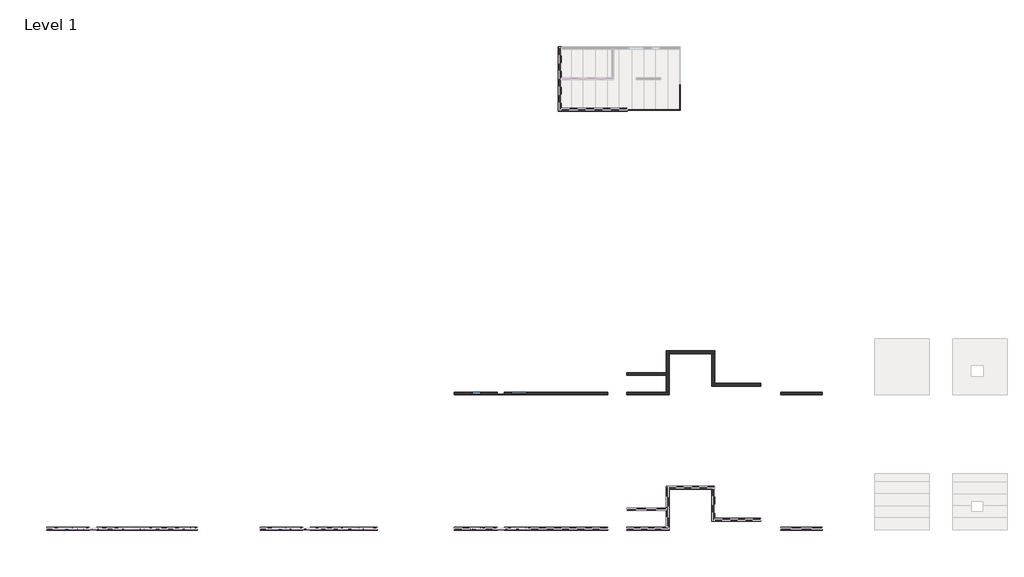
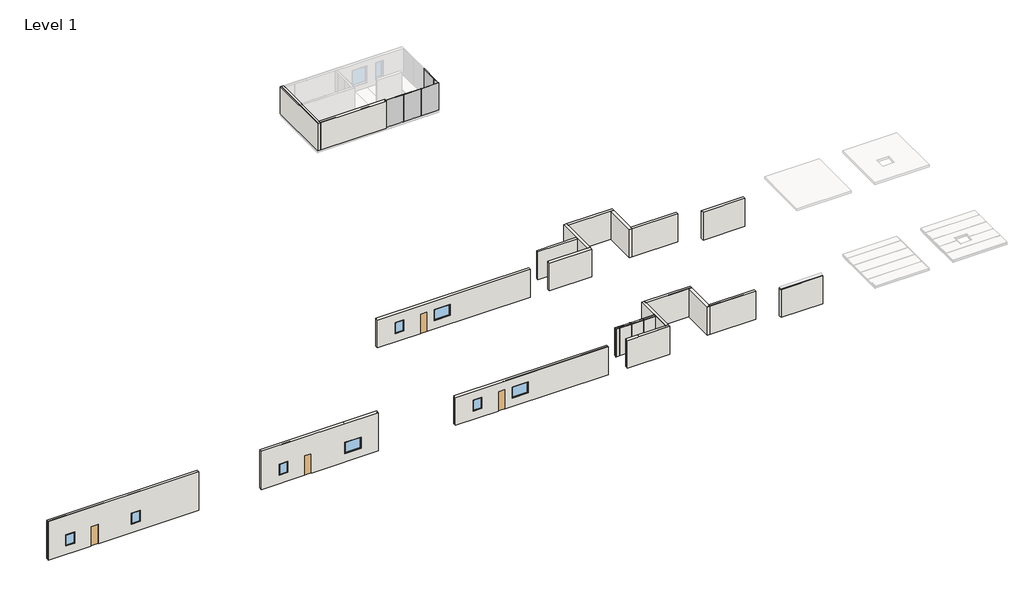
# One storey, part 1 of 10: 20 walls, 8 windows, 5 plates, 4 doors.
"""IFC4 building model written with IfcOpenShell, lengths in millimetres."""

import ifcopenshell
import ifcopenshell.guid

model = None  # the IFC model being written
_history = None  # IfcOwnerHistory: only IFC2X3 demands one
_inside = {}  # id of a spatial element -> (the spatial element, [elements in it])
_under = {}  # id of a project, library or spatial element -> (it, [spatial elements below it])
_declared = {}  # id of a project -> (the project, [libraries it declares])
_typed = {}  # id of a type object -> (the type object, [elements of that type])
_made_of = {}  # id of a material, layer set ... -> (it, [elements and type objects made of it])


def new_model(schema):
    """Start an empty IFC model of exactly this schema.

    Asked for "IFC4X3", IfcOpenShell would pick the latest addendum, in which some entities
    have other attributes; the version numbers below select the first issue.
    IFC2X3 requires an IfcOwnerHistory on every rooted entity: one is made here for all.
    """
    global model, _history
    if schema == "IFC4X3":
        model = ifcopenshell.file(schema_version=(4, 3, 0, 0))
    else:
        model = ifcopenshell.file(schema=schema)
    _inside.clear()
    _under.clear()
    _declared.clear()
    _typed.clear()
    _made_of.clear()
    _history = None
    if model.schema == "IFC2X3":
        org = make("IfcOrganization", Name="unknown")
        user = make(
            "IfcPersonAndOrganization",
            ThePerson=make("IfcPerson", FamilyName="unknown"),
            TheOrganization=org,
        )
        app = make(
            "IfcApplication",
            ApplicationDeveloper=org,
            Version="unknown",
            ApplicationFullName="unknown",
            ApplicationIdentifier="unknown",
        )
        _history = make(
            "IfcOwnerHistory",
            OwningUser=user,
            OwningApplication=app,
            ChangeAction="ADDED",
            CreationDate=0,
        )
    return model


def make(cls, **values):
    """One entity of the class cls with the attributes given. An attribute that is None is left unset."""
    return model.create_entity(
        cls, **{name: value for name, value in values.items() if value is not None}
    )


def rooted(cls, **values):
    """An entity with a GlobalId (a new one), such as an element, a storey or a relation."""
    return make(cls, GlobalId=ifcopenshell.guid.new(), OwnerHistory=_history, **values)


def si_unit(unit_type, name, prefix=None):
    """IfcSIUnit, for example si_unit("LENGTHUNIT", "METRE", prefix="MILLI")."""
    return make("IfcSIUnit", UnitType=unit_type, Prefix=prefix, Name=name)


def assignment(units):
    """IfcUnitAssignment: the units of a project."""
    return None if units is None else make("IfcUnitAssignment", Units=units)


def point(xyz):
    """IfcCartesianPoint."""
    return None if xyz is None else make("IfcCartesianPoint", Coordinates=xyz)


def direction(xyz):
    """IfcDirection."""
    return None if xyz is None else make("IfcDirection", DirectionRatios=xyz)


def frame(location, z_axis=None, x_axis=None):
    """IfcAxis2Placement3D, a coordinate frame: its origin and axes. An axis left out is left unset."""
    return make(
        "IfcAxis2Placement3D",
        Location=point(location),
        Axis=direction(z_axis),
        RefDirection=direction(x_axis),
    )


def origin():
    """The frame at (0, 0, 0) with its axes left unset."""
    return frame((0.0, 0.0, 0.0))


def origin_with_axes():
    """The frame at (0, 0, 0) with the z axis (0, 0, 1) and the x axis (1, 0, 0) written out."""
    return frame((0.0, 0.0, 0.0), z_axis=(0.0, 0.0, 1.0), x_axis=(1.0, 0.0, 0.0))


def place(relative_to, where):
    """IfcLocalPlacement: puts the frame where relative to a parent placement (None: the world)."""
    return make(
        "IfcLocalPlacement", PlacementRelTo=relative_to, RelativePlacement=where
    )


def context(
    kind, dimensions, precision=None, world=None, true_north=None, identifier=None
):
    """IfcGeometricRepresentationContext, for example the 3D "Model" context."""
    return make(
        "IfcGeometricRepresentationContext",
        ContextIdentifier=identifier,
        ContextType=kind,
        CoordinateSpaceDimension=dimensions,
        Precision=precision,
        WorldCoordinateSystem=world,
        TrueNorth=true_north,
    )


def project(units=None, contexts=None):
    """IfcProject with its units and contexts."""
    return rooted(
        "IfcProject",
        Name="project",
        RepresentationContexts=contexts,
        UnitsInContext=assignment(units),
    )


def spatial(cls, under=None, at=None, **own):
    """A site, building, storey or space (cls), placed at a placement, below another one or the project."""
    s = rooted(cls, ObjectPlacement=at, **own)
    if under is not None:
        _under.setdefault(under.id(), (under, []))[1].append(s)
    return s


def polyline(points):
    """IfcPolyline through the points."""
    return make("IfcPolyline", Points=[point(p) for p in points])


def outline(outer, holes=None, kind="AREA"):
    """IfcArbitraryClosedProfileDef: a profile drawn as a closed curve; with holes, ...WithVoids."""
    if holes is None:
        return make("IfcArbitraryClosedProfileDef", ProfileType=kind, OuterCurve=outer)
    return make(
        "IfcArbitraryProfileDefWithVoids",
        ProfileType=kind,
        OuterCurve=outer,
        InnerCurves=holes,
    )


def extrude(swept, where, along, depth):
    """IfcExtrudedAreaSolid: the profile swept, set in the frame where, extruded along a direction by depth."""
    return make(
        "IfcExtrudedAreaSolid",
        SweptArea=swept,
        Position=where,
        ExtrudedDirection=direction(along),
        Depth=depth,
    )


def faces_of(points, faces, orient=None, outer=None):
    """IfcFace entities. A face is a list of loops; a loop is a list of indices into points, from 0.

    orient and outer hold one flag for each loop. By default every Orientation is true, the
    first loop of a face is its IfcFaceOuterBound and the others are IfcFaceBound.
    """
    made = []
    for i, loops in enumerate(faces):
        bounds = []
        for j, loop in enumerate(loops):
            is_outer = j == 0 if outer is None else outer[i][j]
            bounds.append(
                make(
                    "IfcFaceOuterBound" if is_outer else "IfcFaceBound",
                    Bound=make("IfcPolyLoop", Polygon=[points[k] for k in loop]),
                    Orientation=True if orient is None else orient[i][j],
                )
            )
        made.append(make("IfcFace", Bounds=bounds))
    return made


def faceted_brep(points, faces, orient=None, outer=None, voids=None):
    """IfcFacetedBrep: a solid bounded by flat faces; with voids (closed shells), ...WithVoids."""
    shared = [point(p) for p in points]
    hull = make("IfcClosedShell", CfsFaces=faces_of(shared, faces, orient, outer))
    if voids is None:
        return make("IfcFacetedBrep", Outer=hull)
    return make(
        "IfcFacetedBrepWithVoids",
        Outer=hull,
        Voids=[
            make(cls, CfsFaces=faces_of(shared, fs, o, b)) for cls, fs, o, b in voids
        ],
    )


def shape(context_of_items, identifier, shape_type, items):
    """IfcShapeRepresentation: the items that make up one representation, for example the "Body"."""
    return make(
        "IfcShapeRepresentation",
        ContextOfItems=context_of_items,
        RepresentationIdentifier=identifier,
        RepresentationType=shape_type,
        Items=items,
    )


def source(mapping_origin, context_of_items, identifier, shape_type, items):
    """IfcRepresentationMap: a shape defined once, which mapped items show again and again."""
    return make(
        "IfcRepresentationMap",
        MappingOrigin=mapping_origin,
        MappedRepresentation=shape(context_of_items, identifier, shape_type, items),
    )


def transform(
    local_origin,
    x_axis=None,
    y_axis=None,
    z_axis=None,
    scale=None,
    scale2=None,
    scale3=None,
    uniform=True,
):
    """IfcCartesianTransformationOperator3D, or its non-uniform kind. x_axis, y_axis, z_axis: its Axis1, 2, 3."""
    if uniform:
        return make(
            "IfcCartesianTransformationOperator3D",
            Axis1=direction(x_axis),
            Axis2=direction(y_axis),
            LocalOrigin=point(local_origin),
            Scale=scale,
            Axis3=direction(z_axis),
        )
    return make(
        "IfcCartesianTransformationOperator3DnonUniform",
        Axis1=direction(x_axis),
        Axis2=direction(y_axis),
        LocalOrigin=point(local_origin),
        Scale=scale,
        Axis3=direction(z_axis),
        Scale2=scale2,
        Scale3=scale3,
    )


def mapped(mapping_source, mapping_target):
    """IfcMappedItem: shows the shape of a source again, moved by a transform."""
    return make(
        "IfcMappedItem", MappingSource=mapping_source, MappingTarget=mapping_target
    )


def made_of(thing, what):
    """Note that an element or type object is made of a material, layer set ...; save() writes the relation."""
    if what is not None:
        _made_of.setdefault(what.id(), (what, []))[1].append(thing)
    return thing


def element(
    cls,
    number,
    at=None,
    inside=None,
    cuts=None,
    type_object=None,
    material=None,
    context=None,
    identifier="Body",
    shape_type=None,
    held_by="IfcProductDefinitionShape",
    body=None,
    shapes=None,
    **own,
):
    """One element of the class cls, such as IfcWall. Its Tag is "e" and its number.

    at: its placement. inside: the storey or other place that contains it. cuts: it is an
    opening in that element (IfcRelVoidsElement). A single representation is given by context,
    identifier, shape_type and body (its items); several are given by shapes. held_by: the class
    of the entity that holds the representations. save() writes the other relations.
    """
    e = rooted(cls, Tag="e%d" % number, ObjectPlacement=at, **own)
    if body is not None:
        shapes = [shape(context, identifier, shape_type, body)]
    if shapes is not None:
        e.Representation = make(held_by, Representations=shapes)
    if inside is not None:
        _inside.setdefault(inside.id(), (inside, []))[1].append(e)
    if cuts is not None:
        rooted(
            "IfcRelVoidsElement", RelatingBuildingElement=cuts, RelatedOpeningElement=e
        )
    if type_object is not None:
        _typed.setdefault(type_object.id(), (type_object, []))[1].append(e)
    return made_of(e, material)


def aggregate(whole, parts):
    """IfcRelAggregates: a whole, such as a stair, and the parts it consists of."""
    return rooted("IfcRelAggregates", RelatingObject=whole, RelatedObjects=parts)


def save(model, path):
    """Write the relations noted so far, then the file.

    IfcRelAggregates (storeys below a building ...), IfcRelContainedInSpatialStructure (elements
    in a storey), IfcRelDefinesByType, IfcRelAssociatesMaterial and IfcRelDeclares: one each for
    every whole, place, type object, material and project.
    """
    for whole, parts in _under.values():
        aggregate(whole, parts)
    for where, things in _inside.values():
        rooted(
            "IfcRelContainedInSpatialStructure",
            RelatedElements=things,
            RelatingStructure=where,
        )
    for kind, things in _typed.values():
        rooted("IfcRelDefinesByType", RelatedObjects=things, RelatingType=kind)
    for what, things in _made_of.values():
        rooted("IfcRelAssociatesMaterial", RelatedObjects=things, RelatingMaterial=what)
    for by, libraries in _declared.values():
        rooted("IfcRelDeclares", RelatingContext=by, RelatedDefinitions=libraries)
    model.write(path)


def system_panel_glazed_b8690d59(model_context):
    return source(origin(), model_context, "Body", "SweptSolid", [
        extrude(outline(polyline([(915.0000002, -49.5), (-915.0000002, -49.5), (-915.0000002, -24.5), (915.0000002, -24.5), (915.0000002, -49.5)])), origin_with_axes(), (0.0, 0.0, 1.0), 2976.0),
    ])


def system_panel_glazed_bf0abaaa(model_context):
    return source(origin(), model_context, "Body", "SweptSolid", [
        extrude(outline(polyline([(915.0000002, 24.5), (-915.0000002, 24.5), (-915.0000002, 49.5), (915.0000002, 49.5), (915.0000002, 24.5)])), origin_with_axes(), (0.0, 0.0, 1.0), 2976.0),
    ])


def system_panel_glazed_7dc63817(model_context):
    return source(origin(), model_context, "Body", "SweptSolid", [
        extrude(outline(polyline([(368.9999998, 24.5), (-368.9999998, 24.5), (-368.9999998, 49.5), (368.9999998, 49.5), (368.9999998, 24.5)])), origin_with_axes(), (0.0, 0.0, 1.0), 2976.0),
    ])


def system_panel_glazed_9115b0b5(model_context):
    return source(origin(), model_context, "Body", "SweptSolid", [
        extrude(outline(polyline([(904.4999998, -49.5), (-904.4999998, -49.5), (-904.4999998, -24.5), (904.4999998, -24.5), (904.4999998, -49.5)])), origin_with_axes(), (0.0, 0.0, 1.0), 2976.0),
    ])


model = new_model("IFC4")

# Units and contexts
model_context = context("Model", 3, world=origin())
ifc_project = project(units=[si_unit("LENGTHUNIT", "METRE", prefix="MILLI")], contexts=[model_context])

# Site, building, storey
site = spatial("IfcSite", under=ifc_project)
building = spatial("IfcBuilding", under=site)
storey = spatial("IfcBuildingStorey", under=building, Name="Level 1", Elevation=-200.0)

# Doors
placement = place(None, origin())
element("IfcDoor", 1, ObjectType="Single-Flush1 : 30\" x 84\" 2", at=placement, inside=storey, context=model_context, shape_type="SweptSolid", body=[
    extrude(outline(polyline([(-58041.1325582, -190094.9735442), (-57279.1325582, -190094.9735442), (-57279.1325582, -190145.7735442), (-58041.1325582, -190145.7735442), (-58041.1325582, -190094.9735442)])), frame((0.0, 0.0, -200.0), z_axis=(0.0, 0.0, 1.0), x_axis=(1.0, 0.0, 0.0)), (0.0, 0.0, 1.0), 2133.6),
])
element("IfcDoor", 2, ObjectType="Single-Flush1 : 30\" x 84\" 2", at=placement, inside=storey, context=model_context, shape_type="SweptSolid", body=[
    extrude(outline(polyline([(-78141.1325582, -190094.9735442), (-77379.1325582, -190094.9735442), (-77379.1325582, -190145.7735442), (-78141.1325582, -190145.7735442), (-78141.1325582, -190094.9735442)])), frame((0.0, 0.0, -200.0), z_axis=(0.0, 0.0, 1.0), x_axis=(1.0, 0.0, 0.0)), (0.0, 0.0, 1.0), 2133.6),
])
element("IfcDoor", 3, ObjectType="Single-Flush1 : 30\" x 84\" 2", at=placement, inside=storey, context=model_context, shape_type="SweptSolid", body=[
    extrude(outline(polyline([(-100241.1325582, -190094.9735442), (-99479.1325582, -190094.9735442), (-99479.1325582, -190145.7735442), (-100241.1325582, -190145.7735442), (-100241.1325582, -190094.9735442)])), frame((0.0, 0.0, -200.0), z_axis=(0.0, 0.0, 1.0), x_axis=(1.0, 0.0, 0.0)), (0.0, 0.0, 1.0), 2133.6),
])
element("IfcDoor", 4, ObjectType="Single-Flush1 : 30\" x 84\" 2", at=placement, inside=storey, context=model_context, shape_type="SweptSolid", body=[
    extrude(outline(polyline([(-58041.1325582, -176094.9735442), (-57279.1325582, -176094.9735442), (-57279.1325582, -176145.7735442), (-58041.1325582, -176145.7735442), (-58041.1325582, -176094.9735442)])), frame((0.0, 0.0, -200.0), z_axis=(0.0, 0.0, 1.0), x_axis=(1.0, 0.0, 0.0)), (0.0, 0.0, 1.0), 2133.6),
])

# Plates
system_panel_glazed_shape = system_panel_glazed_b8690d59(model_context)
element("IfcPlate", 5, ObjectType="System Panel : Glazed", at=placement, inside=storey, context=model_context, shape_type="MappedRepresentation", body=[
    mapped(system_panel_glazed_shape, transform((-43656.4286234, -146665.1761039, -200.0), x_axis=(1.0, 0.0, 0.0), y_axis=(0.0, 1.0, 0.0), z_axis=(0.0, 0.0, 1.0))),
])
element("IfcPlate", 6, ObjectType="System Panel : Glazed", at=placement, inside=storey, context=model_context, shape_type="MappedRepresentation", body=[
    mapped(system_panel_glazed_shape, transform((-41826.4286232, -146665.1761039, -200.0), x_axis=(1.0, 0.0, 0.0), y_axis=(0.0, 1.0, 0.0), z_axis=(0.0, 0.0, 1.0))),
])
system_panel_glazed_2_shape = system_panel_glazed_bf0abaaa(model_context)
element("IfcPlate", 7, ObjectType="System Panel : Glazed", at=placement, inside=storey, context=model_context, shape_type="MappedRepresentation", body=[
    mapped(system_panel_glazed_2_shape, transform((-39151.9286235, -145012.1761042, -200.0), x_axis=(0.0, -1.0, 0.0), y_axis=(1.0, 0.0, 0.0), z_axis=(0.0, 0.0, 1.0))),
])
system_panel_glazed_3_shape = system_panel_glazed_7dc63817(model_context)
element("IfcPlate", 8, ObjectType="System Panel : Glazed", at=placement, inside=storey, context=model_context, shape_type="MappedRepresentation", body=[
    mapped(system_panel_glazed_3_shape, transform((-39151.9286235, -146296.176104, -200.0), x_axis=(0.0, -1.0, 0.0), y_axis=(1.0, 0.0, 0.0), z_axis=(0.0, 0.0, 1.0))),
])
system_panel_glazed_4_shape = system_panel_glazed_9115b0b5(model_context)
element("IfcPlate", 9, ObjectType="System Panel : Glazed", at=placement, inside=storey, context=model_context, shape_type="MappedRepresentation", body=[
    mapped(system_panel_glazed_4_shape, transform((-40006.9286234, -146665.1761039, -200.0), x_axis=(1.0, 0.0, 0.0), y_axis=(0.0, 1.0, 0.0), z_axis=(0.0, 0.0, 1.0))),
])

# Walls
element("IfcWall", 10, ObjectType="Ex_SIP", at=placement, inside=storey, context=model_context, shape_type="SweptSolid", body=[
    extrude(outline(polyline([(-44571.4286235, -146817.1761039), (-51389.9286235, -146817.1761039), (-51389.9286235, -146513.1761039), (-44571.4286235, -146513.1761039), (-44571.4286235, -146817.1761039)])), frame((0.0, 0.0, -200.0), z_axis=(0.0, 0.0, 1.0), x_axis=(1.0, 0.0, 0.0)), (0.0, 0.0, 1.0), 2976.0),
])
element("IfcWall", 11, ObjectType="Ex_SIP", at=placement, inside=storey, context=model_context, shape_type="Brep", body=[
    faceted_brep([(-51693.9286235, -140133.1761039, -200.0), (-51693.9286235, -146817.1761039, -200.0), (-51693.9286235, -146817.1761039, 2776.0), (-51693.9286235, -140133.1761039, 2776.0), (-51389.9286235, -140133.1761039, -200.0), (-51389.9286235, -140133.1761039, 2776.0), (-51389.9286235, -140437.1761039, 2776.0), (-51389.9286235, -146513.1761039, 2776.0), (-51389.9286235, -146817.1761039, 2776.0), (-51389.9286235, -146817.1761039, -200.0), (-51389.9286235, -146513.1761039, -200.0), (-51389.9286235, -140437.1761039, -200.0)], [[[0, 1, 2, 3]], [[4, 5, 6, 7, 8, 9, 10, 11]], [[1, 0, 4, 11, 10, 9]], [[3, 2, 8, 7, 6, 5]], [[2, 1, 9, 8]], [[0, 3, 5, 4]]]),
])
element("IfcWall", 12, ObjectType="Ex_SIP", at=placement, inside=storey, context=model_context, shape_type="SweptSolid", body=[
    extrude(outline(polyline([(-200.0, -62460.7325582), (-200.0, -58041.1325582), (1933.6, -58041.1325582), (1933.6, -57279.1325582), (-200.0, -57279.1325582), (-200.0, -46611.1325582), (2848.0, -46611.1325582), (2848.0, -62460.7325582), (-200.0, -62460.7325582)]), holes=[polyline([(1933.6, -59717.5325582), (714.4, -59717.5325582), (714.4, -60631.9325582), (1933.6, -60631.9325582), (1933.6, -59717.5325582)]), polyline([(1933.6, -54916.9325582), (714.4, -54916.9325582), (714.4, -56593.3325582), (1933.6, -56593.3325582), (1933.6, -54916.9325582)])]), frame((0.0, -190185.6581485, 0.0), z_axis=(0.0, 1.0, 0.0), x_axis=(0.0, 0.0, 1.0)), (0.0, 0.0, 1.0), 304.0),
])
element("IfcWall", 13, ObjectType="Ex_SIP", at=placement, inside=storey, context=model_context, shape_type="Brep", body=[
    faceted_brep([(-44648.9825582, -190185.6581485, -200.0), (-40229.7825582, -190185.6581485, -200.0), (-40229.7825582, -190185.6581485, 2848.0), (-44648.9825582, -190185.6581485, 2848.0), (-44648.9825582, -189881.6581485, -200.0), (-44648.9825582, -189881.6581485, 2848.0), (-40533.7825582, -189881.6581485, 2848.0), (-40229.7825582, -189881.6581485, 2848.0), (-40229.7825582, -189881.6581485, -200.0), (-40533.7825582, -189881.6581485, -200.0)], [[[0, 1, 2, 3]], [[4, 5, 6, 7, 8, 9]], [[1, 0, 4, 9, 8]], [[3, 2, 7, 6, 5]], [[0, 3, 5, 4]], [[2, 1, 8, 7]]]),
])
element("IfcWall", 14, ObjectType="Ex_SIP", at=placement, inside=storey, context=model_context, shape_type="Brep", body=[
    faceted_brep([(-40229.7825582, -189881.6581485, -200.0), (-40229.7825582, -185918.4581485, -200.0), (-40229.7825582, -185614.4581485, -200.0), (-40229.7825582, -185614.4581485, 2848.0), (-40229.7825582, -185918.4581485, 2848.0), (-40229.7825582, -189881.6581485, 2848.0), (-40533.7825582, -189881.6581485, -200.0), (-40533.7825582, -189881.6581485, 2848.0), (-40533.7825582, -185614.4581485, 2848.0), (-40533.7825582, -185614.4581485, -200.0)], [[[0, 1, 2, 3, 4, 5]], [[6, 7, 8, 9]], [[2, 1, 0, 6, 9]], [[5, 4, 3, 8, 7]], [[0, 5, 7, 6]], [[3, 2, 9, 8]]]),
])
element("IfcWall", 15, ObjectType="Ex_SIP", at=placement, inside=storey, context=model_context, shape_type="Brep", body=[
    faceted_brep([(-40229.7825582, -185918.4581485, -200.0), (-35809.3825582, -185918.4581485, -200.0), (-35505.3825582, -185918.4581485, -200.0), (-35505.3825582, -185918.4581485, 2848.0), (-35809.3825582, -185918.4581485, 2848.0), (-40229.7825582, -185918.4581485, 2848.0), (-40229.7825582, -185614.4581485, -200.0), (-40229.7825582, -185614.4581485, 2848.0), (-35505.3825582, -185614.4581485, 2848.0), (-35505.3825582, -185614.4581485, -200.0)], [[[0, 1, 2, 3, 4, 5]], [[6, 7, 8, 9]], [[2, 1, 0, 6, 9]], [[5, 4, 3, 8, 7]], [[0, 5, 7, 6]], [[3, 2, 9, 8]]]),
])
element("IfcWall", 16, ObjectType="Ex_SIP", at=placement, inside=storey, context=model_context, shape_type="Brep", body=[
    faceted_brep([(-35809.3825582, -185918.4581485, -200.0), (-35809.3825582, -189271.2581485, -200.0), (-35809.3825582, -189271.2581485, 2848.0), (-35809.3825582, -185918.4581485, 2848.0), (-35505.3825582, -185918.4581485, -200.0), (-35505.3825582, -185918.4581485, 2848.0), (-35505.3825582, -188967.2581485, 2848.0), (-35505.3825582, -189271.2581485, 2848.0), (-35505.3825582, -189271.2581485, -200.0), (-35505.3825582, -188967.2581485, -200.0)], [[[0, 1, 2, 3]], [[4, 5, 6, 7, 8, 9]], [[1, 0, 4, 9, 8]], [[3, 2, 7, 6, 5]], [[0, 3, 5, 4]], [[2, 1, 8, 7]]]),
])
element("IfcWall", 17, ObjectType="Ex_SIP", at=placement, inside=storey, context=model_context, shape_type="SweptSolid", body=[
    extrude(outline(polyline([(-30780.5825582, -189271.2581485), (-35505.3825582, -189271.2581485), (-35505.3825582, -188967.2581485), (-30780.5825582, -188967.2581485), (-30780.5825582, -189271.2581485)])), frame((0.0, 0.0, -200.0), z_axis=(0.0, 0.0, 1.0), x_axis=(1.0, 0.0, 0.0)), (0.0, 0.0, 1.0), 3048.0),
])
element("IfcWall", 18, ObjectType="Ex_SIP", at=placement, inside=storey, context=model_context, shape_type="SweptSolid", body=[
    extrude(outline(polyline([(-200.0, -62460.7325582), (-200.0, -58041.1325582), (1933.6, -58041.1325582), (1933.6, -57279.1325582), (-200.0, -57279.1325582), (-200.0, -46611.1325582), (2848.0, -46611.1325582), (2848.0, -62460.7325582), (-200.0, -62460.7325582)]), holes=[polyline([(1933.6, -59717.5325582), (714.4, -59717.5325582), (714.4, -60631.9325582), (1933.6, -60631.9325582), (1933.6, -59717.5325582)]), polyline([(1933.6, -54916.9325582), (714.4, -54916.9325582), (714.4, -56593.3325582), (1933.6, -56593.3325582), (1933.6, -54916.9325582)])]), frame((0.0, -176185.6581485, 0.0), z_axis=(0.0, 1.0, 0.0), x_axis=(0.0, 0.0, 1.0)), (0.0, 0.0, 1.0), 304.0),
])
element("IfcWall", 19, ObjectType="Ex_SIP", at=placement, inside=storey, context=model_context, shape_type="Brep", body=[
    faceted_brep([(-44648.9825582, -176185.6581485, -200.0), (-40229.7825582, -176185.6581485, -200.0), (-40229.7825582, -176185.6581485, 2848.0), (-44648.9825582, -176185.6581485, 2848.0), (-44648.9825582, -175881.6581485, -200.0), (-44648.9825582, -175881.6581485, 2848.0), (-40533.7825582, -175881.6581485, 2848.0), (-40229.7825582, -175881.6581485, 2848.0), (-40229.7825582, -175881.6581485, -200.0), (-40533.7825582, -175881.6581485, -200.0)], [[[0, 1, 2, 3]], [[4, 5, 6, 7, 8, 9]], [[1, 0, 4, 9, 8]], [[3, 2, 7, 6, 5]], [[0, 3, 5, 4]], [[2, 1, 8, 7]]]),
])
element("IfcWall", 20, ObjectType="Ex_SIP", at=placement, inside=storey, context=model_context, shape_type="Brep", body=[
    faceted_brep([(-40229.7825582, -175881.6581485, -200.0), (-40229.7825582, -171918.4581485, -200.0), (-40229.7825582, -171614.4581485, -200.0), (-40229.7825582, -171614.4581485, 2848.0), (-40229.7825582, -171918.4581485, 2848.0), (-40229.7825582, -175881.6581485, 2848.0), (-40533.7825582, -175881.6581485, -200.0), (-40533.7825582, -175881.6581485, 2848.0), (-40533.7825582, -171614.4581485, 2848.0), (-40533.7825582, -171614.4581485, -200.0)], [[[0, 1, 2, 3, 4, 5]], [[6, 7, 8, 9]], [[2, 1, 0, 6, 9]], [[5, 4, 3, 8, 7]], [[0, 5, 7, 6]], [[3, 2, 9, 8]]]),
])
element("IfcWall", 21, ObjectType="Ex_SIP", at=placement, inside=storey, context=model_context, shape_type="Brep", body=[
    faceted_brep([(-40229.7825582, -171918.4581485, -200.0), (-35809.3825582, -171918.4581485, -200.0), (-35505.3825582, -171918.4581485, -200.0), (-35505.3825582, -171918.4581485, 2848.0), (-35809.3825582, -171918.4581485, 2848.0), (-40229.7825582, -171918.4581485, 2848.0), (-40229.7825582, -171614.4581485, -200.0), (-40229.7825582, -171614.4581485, 2848.0), (-35505.3825582, -171614.4581485, 2848.0), (-35505.3825582, -171614.4581485, -200.0)], [[[0, 1, 2, 3, 4, 5]], [[6, 7, 8, 9]], [[2, 1, 0, 6, 9]], [[5, 4, 3, 8, 7]], [[0, 5, 7, 6]], [[3, 2, 9, 8]]]),
])
element("IfcWall", 22, ObjectType="Ex_SIP", at=placement, inside=storey, context=model_context, shape_type="Brep", body=[
    faceted_brep([(-35809.3825582, -171918.4581485, -200.0), (-35809.3825582, -175271.2581485, -200.0), (-35809.3825582, -175271.2581485, 2848.0), (-35809.3825582, -171918.4581485, 2848.0), (-35505.3825582, -171918.4581485, -200.0), (-35505.3825582, -171918.4581485, 2848.0), (-35505.3825582, -174967.2581485, 2848.0), (-35505.3825582, -175271.2581485, 2848.0), (-35505.3825582, -175271.2581485, -200.0), (-35505.3825582, -174967.2581485, -200.0)], [[[0, 1, 2, 3]], [[4, 5, 6, 7, 8, 9]], [[1, 0, 4, 9, 8]], [[3, 2, 7, 6, 5]], [[0, 3, 5, 4]], [[2, 1, 8, 7]]]),
])
element("IfcWall", 23, ObjectType="Ex_SIP", at=placement, inside=storey, context=model_context, shape_type="SweptSolid", body=[
    extrude(outline(polyline([(-30780.5825582, -175271.2581485), (-35505.3825582, -175271.2581485), (-35505.3825582, -174967.2581485), (-30780.5825582, -174967.2581485), (-30780.5825582, -175271.2581485)])), frame((0.0, 0.0, -200.0), z_axis=(0.0, 0.0, 1.0), x_axis=(1.0, 0.0, 0.0)), (0.0, 0.0, 1.0), 3048.0),
])
element("IfcWall", 24, ObjectType="Ex_SIP 2", at=placement, inside=storey, context=model_context, shape_type="SweptSolid", body=[
    extrude(outline(polyline([(-24388.7151434, -190185.6581485), (-28706.7151434, -190185.6581485), (-28706.7151434, -189881.6581485), (-24388.7151434, -189881.6581485), (-24388.7151434, -190185.6581485)])), frame((0.0, 0.0, -200.0), z_axis=(0.0, 0.0, 1.0), x_axis=(1.0, 0.0, 0.0)), (0.0, 0.0, 1.0), 3048.0),
])
element("IfcWall", 25, ObjectType="Ex_SIP 2", at=placement, inside=storey, context=model_context, shape_type="SweptSolid", body=[
    extrude(outline(polyline([(-24388.7151434, -176185.6581485), (-28706.7151434, -176185.6581485), (-28706.7151434, -175881.6581485), (-24388.7151434, -175881.6581485), (-24388.7151434, -176185.6581485)])), frame((0.0, 0.0, -200.0), z_axis=(0.0, 0.0, 1.0), x_axis=(1.0, 0.0, 0.0)), (0.0, 0.0, 1.0), 3048.0),
])
element("IfcWall", 26, ObjectType="Ex_SIP BR", at=placement, inside=storey, context=model_context, shape_type="SweptSolid", body=[
    extrude(outline(polyline([(-200.0, -82560.7325582), (-200.0, -78141.1325582), (1933.6, -78141.1325582), (1933.6, -77379.1325582), (-200.0, -77379.1325582), (-200.0, -70460.7325582), (4000.0, -70460.7325582), (4000.0, -82560.7325582), (-200.0, -82560.7325582)]), holes=[polyline([(1933.6, -79817.5325582), (714.4, -79817.5325582), (714.4, -80731.9325582), (1933.6, -80731.9325582), (1933.6, -79817.5325582)]), polyline([(1933.6, -72236.5325582), (714.4, -72236.5325582), (714.4, -73912.9325582), (1933.6, -73912.9325582), (1933.6, -72236.5325582)])]), frame((0.0, -190185.6581485, 0.0), z_axis=(0.0, 1.0, 0.0), x_axis=(0.0, 0.0, 1.0)), (0.0, 0.0, 1.0), 304.0),
])
element("IfcWall", 27, ObjectType="Ex_SIP BR", at=placement, inside=storey, context=model_context, shape_type="SweptSolid", body=[
    extrude(outline(polyline([(-200.0, -104660.7325582), (-200.0, -100241.1325582), (1933.6, -100241.1325582), (1933.6, -99479.1325582), (-200.0, -99479.1325582), (-200.0, -89060.7325582), (4000.0, -89060.7325582), (4000.0, -104660.7325582), (-200.0, -104660.7325582)]), holes=[polyline([(1933.6, -101917.5325582), (714.4, -101917.5325582), (714.4, -102831.9325582), (1933.6, -102831.9325582), (1933.6, -101917.5325582)]), polyline([(1933.6, -95117.5325582), (714.4, -95117.5325582), (714.4, -96031.9325582), (1933.6, -96031.9325582), (1933.6, -95117.5325582)])]), frame((0.0, -190185.6581485, 0.0), z_axis=(0.0, 1.0, 0.0), x_axis=(0.0, 0.0, 1.0)), (0.0, 0.0, 1.0), 304.0),
])
element("IfcWall", 28, ObjectType="INT_200", at=placement, inside=storey, context=model_context, shape_type="SweptSolid", body=[
    extrude(outline(polyline([(-44648.9825582, -187919.2581485), (-44648.9825582, -187907.2581485), (-44271.7825582, -187907.2581485), (-44271.7825582, -187919.2581485), (-44648.9825582, -187919.2581485)])), frame((0.0, 0.0, -200.0), z_axis=(0.0, 0.0, 1.0), x_axis=(1.0, 0.0, 0.0)), (0.0, 0.0, 1.0), 3048.0),
    extrude(outline(polyline([(-44271.7825582, -187907.2581485), (-43021.7825582, -187907.2581485), (-43021.7825582, -187919.2581485), (-44271.7825582, -187919.2581485), (-44271.7825582, -187907.2581485)])), frame((0.0, 0.0, -200.0), z_axis=(0.0, 0.0, 1.0), x_axis=(1.0, 0.0, 0.0)), (0.0, 0.0, 1.0), 3048.0),
    extrude(outline(polyline([(-43021.7825582, -187907.2581485), (-41771.7825582, -187907.2581485), (-41771.7825582, -187919.2581485), (-43021.7825582, -187919.2581485), (-43021.7825582, -187907.2581485)])), frame((0.0, 0.0, -200.0), z_axis=(0.0, 0.0, 1.0), x_axis=(1.0, 0.0, 0.0)), (0.0, 0.0, 1.0), 3048.0),
    extrude(outline(polyline([(-40521.7825582, -187907.2581485), (-40521.7825582, -187919.2581485), (-41771.7825582, -187919.2581485), (-41771.7825582, -187907.2581485), (-40521.7825582, -187907.2581485)])), frame((0.0, 0.0, -200.0), z_axis=(0.0, 0.0, 1.0), x_axis=(1.0, 0.0, 0.0)), (0.0, 0.0, 1.0), 3048.0),
    extrude(outline(polyline([(-44612.9825582, -188119.2581485), (-44612.9825582, -187919.2581485), (-44289.7825582, -187919.2581485), (-44289.7825582, -188119.2581485), (-44612.9825582, -188119.2581485)])), frame((0.0, 0.0, -164.0), z_axis=(0.0, 0.0, 1.0), x_axis=(1.0, 0.0, 0.0)), (0.0, 0.0, 1.0), 2976.0),
    extrude(outline(polyline([(-44253.7825582, -188119.2581485), (-44253.7825582, -187919.2581485), (-43039.7825582, -187919.2581485), (-43039.7825582, -188119.2581485), (-44253.7825582, -188119.2581485)])), frame((0.0, 0.0, -164.0), z_axis=(0.0, 0.0, 1.0), x_axis=(1.0, 0.0, 0.0)), (0.0, 0.0, 1.0), 2976.0),
    extrude(outline(polyline([(-41789.7825582, -187919.2581485), (-41789.7825582, -188119.2581485), (-43003.7825582, -188119.2581485), (-43003.7825582, -187919.2581485), (-41789.7825582, -187919.2581485)])), frame((0.0, 0.0, -164.0), z_axis=(0.0, 0.0, 1.0), x_axis=(1.0, 0.0, 0.0)), (0.0, 0.0, 1.0), 2976.0),
    extrude(outline(polyline([(-40557.7825582, -187919.2581485), (-40557.7825582, -188119.2581485), (-41753.7825582, -188119.2581485), (-41753.7825582, -187919.2581485), (-40557.7825582, -187919.2581485)])), frame((0.0, 0.0, -164.0), z_axis=(0.0, 0.0, 1.0), x_axis=(1.0, 0.0, 0.0)), (0.0, 0.0, 1.0), 2976.0),
    extrude(outline(polyline([(-44648.9825582, -188131.2581485), (-44648.9825582, -188119.2581485), (-44271.7825582, -188119.2581485), (-44271.7825582, -188131.2581485), (-44648.9825582, -188131.2581485)])), frame((0.0, 0.0, -200.0), z_axis=(0.0, 0.0, 1.0), x_axis=(1.0, 0.0, 0.0)), (0.0, 0.0, 1.0), 3048.0),
    extrude(outline(polyline([(-44271.7825582, -188119.2581485), (-43021.7825582, -188119.2581485), (-43021.7825582, -188131.2581485), (-44271.7825582, -188131.2581485), (-44271.7825582, -188119.2581485)])), frame((0.0, 0.0, -200.0), z_axis=(0.0, 0.0, 1.0), x_axis=(1.0, 0.0, 0.0)), (0.0, 0.0, 1.0), 3048.0),
    extrude(outline(polyline([(-43021.7825582, -188119.2581485), (-41771.7825582, -188119.2581485), (-41771.7825582, -188131.2581485), (-43021.7825582, -188131.2581485), (-43021.7825582, -188119.2581485)])), frame((0.0, 0.0, -200.0), z_axis=(0.0, 0.0, 1.0), x_axis=(1.0, 0.0, 0.0)), (0.0, 0.0, 1.0), 3048.0),
    extrude(outline(polyline([(-40521.7825582, -188119.2581485), (-40521.7825582, -188131.2581485), (-41771.7825582, -188131.2581485), (-41771.7825582, -188119.2581485), (-40521.7825582, -188119.2581485)])), frame((0.0, 0.0, -200.0), z_axis=(0.0, 0.0, 1.0), x_axis=(1.0, 0.0, 0.0)), (0.0, 0.0, 1.0), 3048.0),
])
element("IfcWall", 29, ObjectType="INT_200", at=placement, inside=storey, context=model_context, shape_type="SweptSolid", body=[
    extrude(outline(polyline([(-40521.7825582, -174131.2581485), (-44648.9825582, -174131.2581485), (-44648.9825582, -173907.2581485), (-40521.7825582, -173907.2581485), (-40521.7825582, -174131.2581485)])), frame((0.0, 0.0, -200.0), z_axis=(0.0, 0.0, 1.0), x_axis=(1.0, 0.0, 0.0)), (0.0, 0.0, 1.0), 3048.0),
])

# Windows
element("IfcWindow", 30, ObjectType="Fixed1 : 36\" x 48\"", at=placement, inside=storey, context=model_context, shape_type="SweptSolid", body=[
    extrude(outline(polyline([(1933.6, -59717.5325582), (1933.6, -60631.9325582), (714.4, -60631.9325582), (714.4, -59717.5325582), (1933.6, -59717.5325582)]), holes=[polyline([(1914.55, -59736.5825582), (733.45, -59736.5825582), (733.45, -60612.8825582), (1914.55, -60612.8825582), (1914.55, -59736.5825582)])]), frame((0.0, -190185.6581485, 0.0), z_axis=(0.0, 1.0, 0.0), x_axis=(0.0, 0.0, 1.0)), (0.0, 0.0, 1.0), 63.5),
    extrude(outline(polyline([(1933.6, -60631.9325582), (714.4, -60631.9325582), (714.4, -59717.5325582), (1933.6, -59717.5325582), (1933.6, -60631.9325582)]), holes=[polyline([(1901.85, -60600.1825582), (1901.85, -59749.2825582), (746.15, -59749.2825582), (746.15, -60600.1825582), (1901.85, -60600.1825582)])]), frame((0.0, -190122.1581485, 0.0), z_axis=(0.0, 1.0, 0.0), x_axis=(0.0, 0.0, 1.0)), (0.0, 0.0, 1.0), 240.5),
    extrude(outline(polyline([(1914.55, -60612.8825582), (733.45, -60612.8825582), (733.45, -59736.5825582), (1914.55, -59736.5825582), (1914.55, -60612.8825582)]), holes=[polyline([(1870.1, -60568.4325582), (1870.1, -59781.0325582), (777.9, -59781.0325582), (777.9, -60568.4325582), (1870.1, -60568.4325582)])]), frame((0.0, -190166.6081485, 0.0), z_axis=(0.0, 1.0, 0.0), x_axis=(0.0, 0.0, 1.0)), (0.0, 0.0, 1.0), 44.45),
    extrude(outline(polyline([(-59781.0325582, -190138.0331485), (-59781.0325582, -190150.7331485), (-60568.4325582, -190150.7331485), (-60568.4325582, -190138.0331485), (-59781.0325582, -190138.0331485)])), frame((0.0, 0.0, 777.9), z_axis=(0.0, 0.0, 1.0), x_axis=(1.0, 0.0, 0.0)), (0.0, 0.0, 1.0), 1092.2),
])
element("IfcWindow", 31, ObjectType="Fixed1 : 36\" x 48\"", at=placement, inside=storey, context=model_context, shape_type="SweptSolid", body=[
    extrude(outline(polyline([(1933.6, -79817.5325582), (1933.6, -80731.9325582), (714.4, -80731.9325582), (714.4, -79817.5325582), (1933.6, -79817.5325582)]), holes=[polyline([(1914.55, -79836.5825582), (733.45, -79836.5825582), (733.45, -80712.8825582), (1914.55, -80712.8825582), (1914.55, -79836.5825582)])]), frame((0.0, -190185.6581485, 0.0), z_axis=(0.0, 1.0, 0.0), x_axis=(0.0, 0.0, 1.0)), (0.0, 0.0, 1.0), 63.5),
    extrude(outline(polyline([(1933.6, -80731.9325582), (714.4, -80731.9325582), (714.4, -79817.5325582), (1933.6, -79817.5325582), (1933.6, -80731.9325582)]), holes=[polyline([(1901.85, -80700.1825582), (1901.85, -79849.2825582), (746.15, -79849.2825582), (746.15, -80700.1825582), (1901.85, -80700.1825582)])]), frame((0.0, -190122.1581485, 0.0), z_axis=(0.0, 1.0, 0.0), x_axis=(0.0, 0.0, 1.0)), (0.0, 0.0, 1.0), 240.5),
    extrude(outline(polyline([(1914.55, -80712.8825582), (733.45, -80712.8825582), (733.45, -79836.5825582), (1914.55, -79836.5825582), (1914.55, -80712.8825582)]), holes=[polyline([(1870.1, -80668.4325582), (1870.1, -79881.0325582), (777.9, -79881.0325582), (777.9, -80668.4325582), (1870.1, -80668.4325582)])]), frame((0.0, -190166.6081485, 0.0), z_axis=(0.0, 1.0, 0.0), x_axis=(0.0, 0.0, 1.0)), (0.0, 0.0, 1.0), 44.45),
    extrude(outline(polyline([(-79881.0325582, -190138.0331485), (-79881.0325582, -190150.7331485), (-80668.4325582, -190150.7331485), (-80668.4325582, -190138.0331485), (-79881.0325582, -190138.0331485)])), frame((0.0, 0.0, 777.9), z_axis=(0.0, 0.0, 1.0), x_axis=(1.0, 0.0, 0.0)), (0.0, 0.0, 1.0), 1092.2),
])
element("IfcWindow", 32, ObjectType="Fixed1 : 36\" x 48\"", at=placement, inside=storey, context=model_context, shape_type="SweptSolid", body=[
    extrude(outline(polyline([(1933.6, -101917.5325582), (1933.6, -102831.9325582), (714.4, -102831.9325582), (714.4, -101917.5325582), (1933.6, -101917.5325582)]), holes=[polyline([(1914.55, -101936.5825582), (733.45, -101936.5825582), (733.45, -102812.8825582), (1914.55, -102812.8825582), (1914.55, -101936.5825582)])]), frame((0.0, -190185.6581485, 0.0), z_axis=(0.0, 1.0, 0.0), x_axis=(0.0, 0.0, 1.0)), (0.0, 0.0, 1.0), 63.5),
    extrude(outline(polyline([(1933.6, -102831.9325582), (714.4, -102831.9325582), (714.4, -101917.5325582), (1933.6, -101917.5325582), (1933.6, -102831.9325582)]), holes=[polyline([(1901.85, -102800.1825582), (1901.85, -101949.2825582), (746.15, -101949.2825582), (746.15, -102800.1825582), (1901.85, -102800.1825582)])]), frame((0.0, -190122.1581485, 0.0), z_axis=(0.0, 1.0, 0.0), x_axis=(0.0, 0.0, 1.0)), (0.0, 0.0, 1.0), 240.5),
    extrude(outline(polyline([(1914.55, -102812.8825582), (733.45, -102812.8825582), (733.45, -101936.5825582), (1914.55, -101936.5825582), (1914.55, -102812.8825582)]), holes=[polyline([(1870.1, -102768.4325582), (1870.1, -101981.0325582), (777.9, -101981.0325582), (777.9, -102768.4325582), (1870.1, -102768.4325582)])]), frame((0.0, -190166.6081485, 0.0), z_axis=(0.0, 1.0, 0.0), x_axis=(0.0, 0.0, 1.0)), (0.0, 0.0, 1.0), 44.45),
    extrude(outline(polyline([(-101981.0325582, -190138.0331485), (-101981.0325582, -190150.7331485), (-102768.4325582, -190150.7331485), (-102768.4325582, -190138.0331485), (-101981.0325582, -190138.0331485)])), frame((0.0, 0.0, 777.9), z_axis=(0.0, 0.0, 1.0), x_axis=(1.0, 0.0, 0.0)), (0.0, 0.0, 1.0), 1092.2),
])
element("IfcWindow", 33, ObjectType="Fixed1 : 36\" x 48\"", at=placement, inside=storey, context=model_context, shape_type="SweptSolid", body=[
    extrude(outline(polyline([(1933.6, -95117.5325582), (1933.6, -96031.9325582), (714.4, -96031.9325582), (714.4, -95117.5325582), (1933.6, -95117.5325582)]), holes=[polyline([(1914.55, -95136.5825582), (733.45, -95136.5825582), (733.45, -96012.8825582), (1914.55, -96012.8825582), (1914.55, -95136.5825582)])]), frame((0.0, -190185.6581485, 0.0), z_axis=(0.0, 1.0, 0.0), x_axis=(0.0, 0.0, 1.0)), (0.0, 0.0, 1.0), 63.5),
    extrude(outline(polyline([(1933.6, -96031.9325582), (714.4, -96031.9325582), (714.4, -95117.5325582), (1933.6, -95117.5325582), (1933.6, -96031.9325582)]), holes=[polyline([(1901.85, -96000.1825582), (1901.85, -95149.2825582), (746.15, -95149.2825582), (746.15, -96000.1825582), (1901.85, -96000.1825582)])]), frame((0.0, -190122.1581485, 0.0), z_axis=(0.0, 1.0, 0.0), x_axis=(0.0, 0.0, 1.0)), (0.0, 0.0, 1.0), 240.5),
    extrude(outline(polyline([(1914.55, -96012.8825582), (733.45, -96012.8825582), (733.45, -95136.5825582), (1914.55, -95136.5825582), (1914.55, -96012.8825582)]), holes=[polyline([(1870.1, -95968.4325582), (1870.1, -95181.0325582), (777.9, -95181.0325582), (777.9, -95968.4325582), (1870.1, -95968.4325582)])]), frame((0.0, -190166.6081485, 0.0), z_axis=(0.0, 1.0, 0.0), x_axis=(0.0, 0.0, 1.0)), (0.0, 0.0, 1.0), 44.45),
    extrude(outline(polyline([(-95181.0325582, -190138.0331485), (-95181.0325582, -190150.7331485), (-95968.4325582, -190150.7331485), (-95968.4325582, -190138.0331485), (-95181.0325582, -190138.0331485)])), frame((0.0, 0.0, 777.9), z_axis=(0.0, 0.0, 1.0), x_axis=(1.0, 0.0, 0.0)), (0.0, 0.0, 1.0), 1092.2),
])
element("IfcWindow", 34, ObjectType="Fixed1 : 36\" x 48\"", at=placement, inside=storey, context=model_context, shape_type="SweptSolid", body=[
    extrude(outline(polyline([(1933.6, -59717.5325582), (1933.6, -60631.9325582), (714.4, -60631.9325582), (714.4, -59717.5325582), (1933.6, -59717.5325582)]), holes=[polyline([(1914.55, -59736.5825582), (733.45, -59736.5825582), (733.45, -60612.8825582), (1914.55, -60612.8825582), (1914.55, -59736.5825582)])]), frame((0.0, -176185.6581485, 0.0), z_axis=(0.0, 1.0, 0.0), x_axis=(0.0, 0.0, 1.0)), (0.0, 0.0, 1.0), 63.5),
    extrude(outline(polyline([(1933.6, -60631.9325582), (714.4, -60631.9325582), (714.4, -59717.5325582), (1933.6, -59717.5325582), (1933.6, -60631.9325582)]), holes=[polyline([(1901.85, -60600.1825582), (1901.85, -59749.2825582), (746.15, -59749.2825582), (746.15, -60600.1825582), (1901.85, -60600.1825582)])]), frame((0.0, -176122.1581485, 0.0), z_axis=(0.0, 1.0, 0.0), x_axis=(0.0, 0.0, 1.0)), (0.0, 0.0, 1.0), 240.5),
    extrude(outline(polyline([(1914.55, -60612.8825582), (733.45, -60612.8825582), (733.45, -59736.5825582), (1914.55, -59736.5825582), (1914.55, -60612.8825582)]), holes=[polyline([(1870.1, -60568.4325582), (1870.1, -59781.0325582), (777.9, -59781.0325582), (777.9, -60568.4325582), (1870.1, -60568.4325582)])]), frame((0.0, -176166.6081485, 0.0), z_axis=(0.0, 1.0, 0.0), x_axis=(0.0, 0.0, 1.0)), (0.0, 0.0, 1.0), 44.45),
    extrude(outline(polyline([(-59781.0325582, -176138.0331485), (-59781.0325582, -176150.7331485), (-60568.4325582, -176150.7331485), (-60568.4325582, -176138.0331485), (-59781.0325582, -176138.0331485)])), frame((0.0, 0.0, 777.9), z_axis=(0.0, 0.0, 1.0), x_axis=(1.0, 0.0, 0.0)), (0.0, 0.0, 1.0), 1092.2),
])
element("IfcWindow", 35, ObjectType="Fixed1 : 66\" x 48\"", at=placement, inside=storey, context=model_context, shape_type="SweptSolid", body=[
    extrude(outline(polyline([(1933.6, -54916.9325582), (1933.6, -56593.3325582), (714.4, -56593.3325582), (714.4, -54916.9325582), (1933.6, -54916.9325582)]), holes=[polyline([(1914.55, -54935.9825582), (733.45, -54935.9825582), (733.45, -56574.2825582), (1914.55, -56574.2825582), (1914.55, -54935.9825582)])]), frame((0.0, -190185.6581485, 0.0), z_axis=(0.0, 1.0, 0.0), x_axis=(0.0, 0.0, 1.0)), (0.0, 0.0, 1.0), 107.95),
    extrude(outline(polyline([(1933.6, -56593.3325582), (714.4, -56593.3325582), (714.4, -54916.9325582), (1933.6, -54916.9325582), (1933.6, -56593.3325582)]), holes=[polyline([(1901.85, -56561.5825582), (1901.85, -54948.6825582), (746.15, -54948.6825582), (746.15, -56561.5825582), (1901.85, -56561.5825582)])]), frame((0.0, -190077.7081485, 0.0), z_axis=(0.0, 1.0, 0.0), x_axis=(0.0, 0.0, 1.0)), (0.0, 0.0, 1.0), 196.05),
    extrude(outline(polyline([(1914.55, -56574.2825582), (733.45, -56574.2825582), (733.45, -54935.9825582), (1914.55, -54935.9825582), (1914.55, -56574.2825582)]), holes=[polyline([(1870.1, -56529.8325582), (1870.1, -54980.4325582), (777.9, -54980.4325582), (777.9, -56529.8325582), (1870.1, -56529.8325582)])]), frame((0.0, -190122.1581485, 0.0), z_axis=(0.0, 1.0, 0.0), x_axis=(0.0, 0.0, 1.0)), (0.0, 0.0, 1.0), 44.45),
    extrude(outline(polyline([(-54980.4325582, -190093.5831485), (-54980.4325582, -190106.2831485), (-56529.8325582, -190106.2831485), (-56529.8325582, -190093.5831485), (-54980.4325582, -190093.5831485)])), frame((0.0, 0.0, 777.9), z_axis=(0.0, 0.0, 1.0), x_axis=(1.0, 0.0, 0.0)), (0.0, 0.0, 1.0), 1092.2),
])
element("IfcWindow", 36, ObjectType="Fixed1 : 66\" x 48\"", at=placement, inside=storey, context=model_context, shape_type="SweptSolid", body=[
    extrude(outline(polyline([(1933.6, -72236.5325582), (1933.6, -73912.9325582), (714.4, -73912.9325582), (714.4, -72236.5325582), (1933.6, -72236.5325582)]), holes=[polyline([(1914.55, -72255.5825582), (733.45, -72255.5825582), (733.45, -73893.8825582), (1914.55, -73893.8825582), (1914.55, -72255.5825582)])]), frame((0.0, -190185.6581485, 0.0), z_axis=(0.0, 1.0, 0.0), x_axis=(0.0, 0.0, 1.0)), (0.0, 0.0, 1.0), 107.95),
    extrude(outline(polyline([(1933.6, -73912.9325582), (714.4, -73912.9325582), (714.4, -72236.5325582), (1933.6, -72236.5325582), (1933.6, -73912.9325582)]), holes=[polyline([(1901.85, -73881.1825582), (1901.85, -72268.2825582), (746.15, -72268.2825582), (746.15, -73881.1825582), (1901.85, -73881.1825582)])]), frame((0.0, -190077.7081485, 0.0), z_axis=(0.0, 1.0, 0.0), x_axis=(0.0, 0.0, 1.0)), (0.0, 0.0, 1.0), 196.05),
    extrude(outline(polyline([(1914.55, -73893.8825582), (733.45, -73893.8825582), (733.45, -72255.5825582), (1914.55, -72255.5825582), (1914.55, -73893.8825582)]), holes=[polyline([(1870.1, -73849.4325582), (1870.1, -72300.0325582), (777.9, -72300.0325582), (777.9, -73849.4325582), (1870.1, -73849.4325582)])]), frame((0.0, -190122.1581485, 0.0), z_axis=(0.0, 1.0, 0.0), x_axis=(0.0, 0.0, 1.0)), (0.0, 0.0, 1.0), 44.45),
    extrude(outline(polyline([(-72300.0325582, -190093.5831485), (-72300.0325582, -190106.2831485), (-73849.4325582, -190106.2831485), (-73849.4325582, -190093.5831485), (-72300.0325582, -190093.5831485)])), frame((0.0, 0.0, 777.9), z_axis=(0.0, 0.0, 1.0), x_axis=(1.0, 0.0, 0.0)), (0.0, 0.0, 1.0), 1092.2),
])
element("IfcWindow", 37, ObjectType="Fixed1 : 66\" x 48\"", at=placement, inside=storey, context=model_context, shape_type="SweptSolid", body=[
    extrude(outline(polyline([(1933.6, -54916.9325582), (1933.6, -56593.3325582), (714.4, -56593.3325582), (714.4, -54916.9325582), (1933.6, -54916.9325582)]), holes=[polyline([(1914.55, -54935.9825582), (733.45, -54935.9825582), (733.45, -56574.2825582), (1914.55, -56574.2825582), (1914.55, -54935.9825582)])]), frame((0.0, -176185.6581485, 0.0), z_axis=(0.0, 1.0, 0.0), x_axis=(0.0, 0.0, 1.0)), (0.0, 0.0, 1.0), 107.95),
    extrude(outline(polyline([(1933.6, -56593.3325582), (714.4, -56593.3325582), (714.4, -54916.9325582), (1933.6, -54916.9325582), (1933.6, -56593.3325582)]), holes=[polyline([(1901.85, -56561.5825582), (1901.85, -54948.6825582), (746.15, -54948.6825582), (746.15, -56561.5825582), (1901.85, -56561.5825582)])]), frame((0.0, -176077.7081485, 0.0), z_axis=(0.0, 1.0, 0.0), x_axis=(0.0, 0.0, 1.0)), (0.0, 0.0, 1.0), 196.05),
    extrude(outline(polyline([(1914.55, -56574.2825582), (733.45, -56574.2825582), (733.45, -54935.9825582), (1914.55, -54935.9825582), (1914.55, -56574.2825582)]), holes=[polyline([(1870.1, -56529.8325582), (1870.1, -54980.4325582), (777.9, -54980.4325582), (777.9, -56529.8325582), (1870.1, -56529.8325582)])]), frame((0.0, -176122.1581485, 0.0), z_axis=(0.0, 1.0, 0.0), x_axis=(0.0, 0.0, 1.0)), (0.0, 0.0, 1.0), 44.45),
    extrude(outline(polyline([(-54980.4325582, -176093.5831485), (-54980.4325582, -176106.2831485), (-56529.8325582, -176106.2831485), (-56529.8325582, -176093.5831485), (-54980.4325582, -176093.5831485)])), frame((0.0, 0.0, 777.9), z_axis=(0.0, 0.0, 1.0), x_axis=(1.0, 0.0, 0.0)), (0.0, 0.0, 1.0), 1092.2),
])

save(model, "model.ifc")
